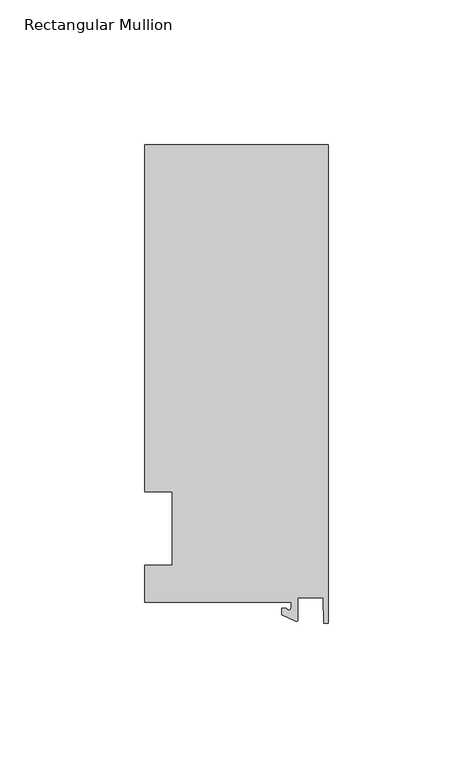
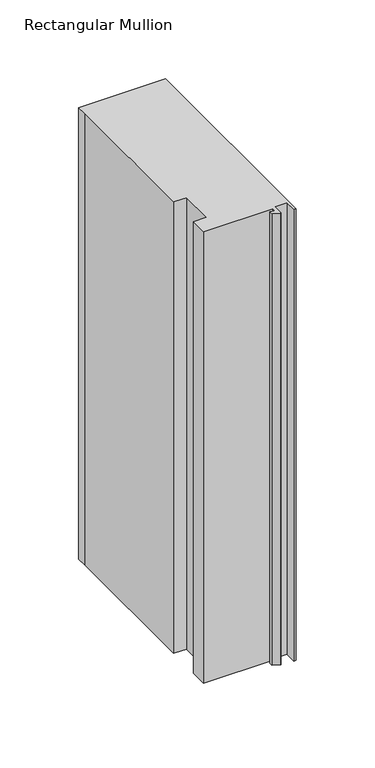
"""IFC4 building model written with IfcOpenShell, lengths in millimetres: member geometry, Rectangular Mullion."""

from ifc_helpers import new_model, si_unit, point, frame, frame_2d, origin, place, context, project, spatial, polyline, circle_curve, trimmed, segment, composite_curve, outline, extrude, source, transform, mapped, element, save


def rectangular_mullion_58f289a4(model_context):
    return source(origin(), model_context, "Body", "SweptSolid", [
        extrude(outline(composite_curve([segment(polyline([(-12.8216721, -25.5984375), (-63.5, -25.5984375), (-63.5, -12.7), (-53.975, -12.7), (-53.975, 12.7), (-63.5, 12.7), (-63.5, 125.075512), (-63.5, 132.822512), (0.0, 132.822512), (0.0, -32.810012), (-1.5566453, -32.810012), (-1.7144124, -23.9227662), (-10.4340721, -23.9227662), (-10.4340721, -31.6795354)]), True, "CONTINUOUS"), segment(trimmed(circle_curve(frame_2d((-10.9420721, -31.6795354)), 0.508), [point((-10.4340721, -31.6795354))], [point((-11.1567622, -32.1399398))], False, "CARTESIAN"), True, "CONTINUOUS"), segment(polyline([(-11.1567622, -32.1399398), (-15.9966721, -29.8830527), (-15.9966721, -27.5208534), (-14.4091721, -27.5208534)]), True, "CONTINUOUS"), segment(trimmed(circle_curve(frame_2d((-13.6154221, -27.5208534)), 0.79375), [point((-14.4091721, -27.5208534))], [point((-12.8216721, -27.5208534))], True, "CARTESIAN"), True, "CONTINUOUS"), segment(polyline([(-12.8216721, -27.5208534), (-12.8216721, -25.5984375)]), True, "CONTINUOUS")], self_intersect=False)), frame((0.0, 0.0, -349.25), z_axis=(0.0, 0.0, 1.0), x_axis=(1.0, 0.0, 0.0)), (0.0, 0.0, 1.0), 349.25),
    ])


if __name__ == "__main__":
    model = new_model("IFC4")
    model_context = context("Model", 3, world=origin())
    ifc_project = project(units=[si_unit("LENGTHUNIT", "METRE", prefix="MILLI")], contexts=[model_context])
    site = spatial("IfcSite", under=ifc_project)
    building = spatial("IfcBuilding", under=site)
    placement = place(None, origin())
    rectangular_mullion_shape = rectangular_mullion_58f289a4(model_context)
    element("IfcMember", 1, ObjectType="Rectangular Mullion", at=placement, inside=building, context=model_context, shape_type="MappedRepresentation", body=[
        mapped(rectangular_mullion_shape, transform((0.0, 0.0, 0.0), x_axis=(1.0, 0.0, 0.0), y_axis=(0.0, 1.0, 0.0), z_axis=(0.0, 0.0, 1.0))),
    ])
    save(model, "model.ifc")
